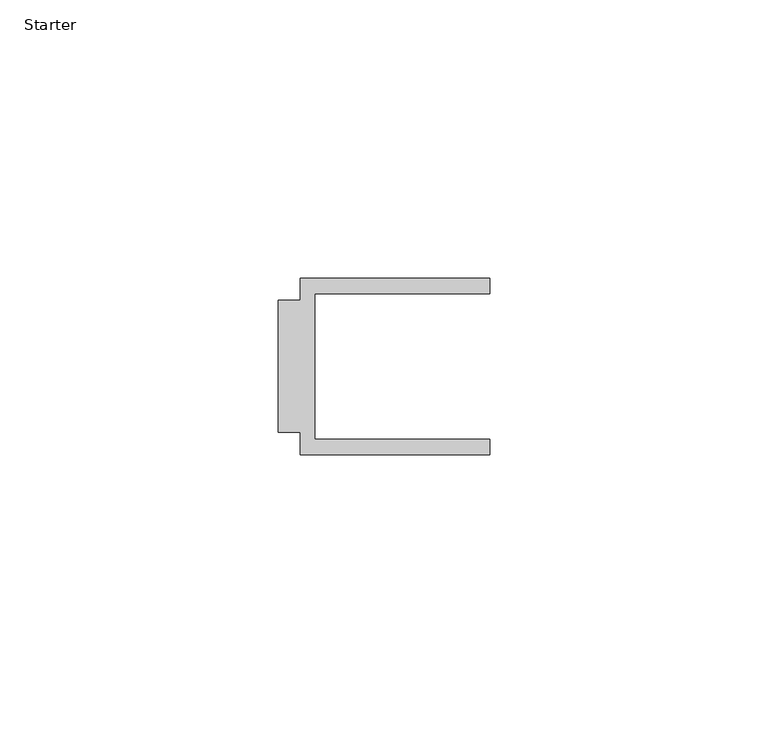
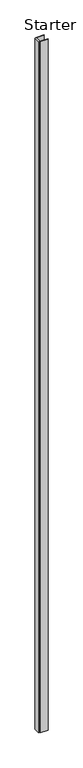
"""IFC4 building model written with IfcOpenShell, lengths in millimetres: furniture geometry, Starter."""

from ifc_helpers import new_model, si_unit, origin, origin_with_axes, place, context, project, spatial, polyline, outline, extrude, source, transform, mapped, element, save


def starter_a7ccfb56(model_context):
    return source(origin(), model_context, "Body", "SweptSolid", [
        extrude(outline(polyline([(33.9771533, 31.376805), (68.0771531, 31.376805), (68.0771531, 28.5768064), (36.5771534, 28.5768064), (36.5771534, 2.4268037), (68.0771531, 2.4268037), (68.0771531, -0.373195), (33.9771533, -0.373195), (33.9771533, 3.6268038), (29.9771531, 3.6268038), (29.9771531, 27.3768063), (33.9771533, 27.3768063), (33.9771533, 31.376805)])), origin_with_axes(), (0.0, 0.0, 1.0), 3048.0),
    ])


if __name__ == "__main__":
    model = new_model("IFC4")
    model_context = context("Model", 3, world=origin())
    ifc_project = project(units=[si_unit("LENGTHUNIT", "METRE", prefix="MILLI")], contexts=[model_context])
    site = spatial("IfcSite", under=ifc_project)
    building = spatial("IfcBuilding", under=site)
    placement = place(None, origin())
    starter_shape = starter_a7ccfb56(model_context)
    element("IfcFurniture", 1, ObjectType="Starter", at=placement, inside=building, context=model_context, shape_type="MappedRepresentation", body=[
        mapped(starter_shape, transform((0.0, 0.0, 0.0), x_axis=(1.0, 0.0, 0.0), y_axis=(0.0, 1.0, 0.0), z_axis=(0.0, 0.0, 1.0))),
    ])
    save(model, "model.ifc")
